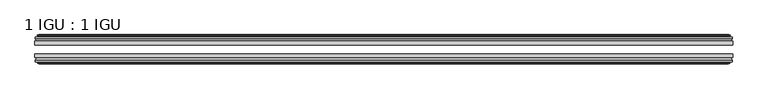
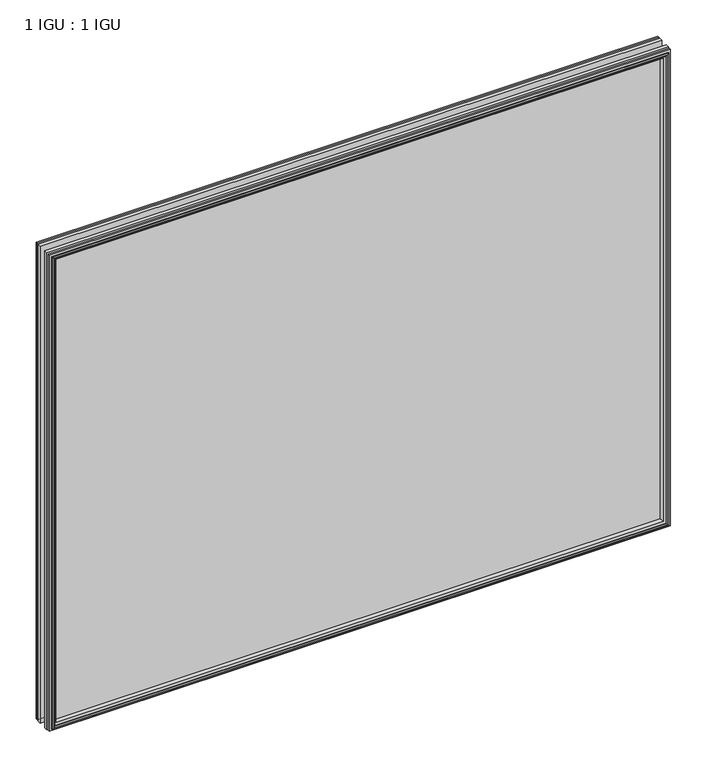
"""IFC4 building model written with IfcOpenShell, lengths in millimetres: plate geometry, 1 IGU : 1 IGU."""

from ifc_helpers import new_model, si_unit, frame, origin, place, context, project, spatial, polyline, outline, extrude, faceted_brep, source, transform, mapped, element, save


def plate_1_igu_1_igu_fef44ff2(model_context):
    return source(origin(), model_context, "Body", "SolidModel", [
        extrude(outline(polyline([(532.5539884, -25.8960937), (532.5539884, -32.2460938), (-532.5539884, -32.2460938), (-532.5539884, -25.8960937), (532.5539884, -25.8960937)])), frame((0.0, 0.0, -12.7), z_axis=(0.0, 0.0, 1.0), x_axis=(1.0, 0.0, 0.0)), (0.0, 0.0, 1.0), 863.6),
        extrude(outline(polyline([(-532.5539884, -51.2960938), (-532.5539884, -45.2686737), (532.5539884, -45.2686737), (532.5539884, -51.2960938), (-532.5539884, -51.2960938)])), frame((0.0, 0.0, -12.7), z_axis=(0.0, 0.0, 1.0), x_axis=(1.0, 0.0, 0.0)), (0.0, 0.0, 1.0), 863.6),
        faceted_brep([(-526.9659884, -60.0262907, 845.312), (-527.3469884, -57.6460937, 845.693), (-527.3469884, -57.6460937, -7.493), (-526.9659884, -60.0262907, -7.112), (-528.3815174, -59.5663575, 846.7275291), (-528.3815174, -59.5663575, -8.5275291), (-528.3815174, -60.3675717, 846.7275291), (-528.3815174, -60.3675717, -8.5275291), (-526.2039884, -61.0750937, 844.55), (-526.2039884, -61.0750937, -6.35), (-524.0264593, -60.3675717, 842.3724709), (-524.0264593, -60.3675717, -4.1724709), (-524.0264593, -59.5663575, 842.3724709), (-524.0264593, -59.5663575, -4.1724709), (-525.4419884, -60.0262907, 843.788), (-525.4419884, -60.0262907, -5.588), (-525.0609884, -57.6460937, 843.407), (-525.0609884, -57.6460937, -5.207), (-518.1362703, -51.2960937, 836.4822819), (-519.8539884, -57.6460937, 838.2), (-519.8539884, -57.6460937, 0.0), (-518.1362703, -51.2960937, 1.7177181), (-531.7919884, -54.6996937, 850.138), (-528.9576462, -51.2960937, 847.3036578), (-528.9576462, -51.2960937, -9.1036578), (-531.7919884, -54.6996937, -11.938), (-531.7919884, -57.6460937, 850.138), (-531.7919884, -57.6460937, -11.938), (527.3469884, -57.6460938, -7.493), (526.9659884, -60.0262907, -7.112), (528.3815174, -59.5663575, -8.5275291), (528.3815174, -60.3675717, -8.5275291), (526.2039884, -61.0750937, -6.35), (524.0264593, -60.3675717, -4.1724709), (524.0264593, -59.5663575, -4.1724709), (525.4419884, -60.0262907, -5.588), (525.0609884, -57.6460937, -5.207), (519.8539884, -57.6460937, 0.0), (518.1362703, -51.2960937, 1.7177181), (528.9576462, -51.2960937, -9.1036578), (531.7919884, -54.6996937, -11.938), (531.7919884, -57.6460938, -11.938), (527.3469884, -57.6460938, 845.693), (526.9659884, -60.0262907, 845.312), (528.3815174, -59.5663575, 846.7275291), (528.3815174, -60.3675717, 846.7275291), (526.2039884, -61.0750937, 844.55), (524.0264593, -60.3675717, 842.3724709), (524.0264593, -59.5663575, 842.3724709), (525.4419884, -60.0262907, 843.788), (525.0609884, -57.6460937, 843.407), (519.8539884, -57.6460937, 838.2), (518.1362703, -51.2960937, 836.4822819), (528.9576462, -51.2960937, 847.3036578), (531.7919884, -54.6996937, 850.138), (531.7919884, -57.6460938, 850.138)], [[[0, 1, 2, 3]], [[4, 0, 3, 5]], [[6, 4, 5, 7]], [[8, 6, 7, 9]], [[10, 8, 9, 11]], [[12, 10, 11, 13]], [[14, 12, 13, 15]], [[16, 14, 15, 17]], [[18, 19, 20, 21]], [[22, 23, 24, 25]], [[26, 22, 25, 27]], [[3, 2, 28, 29]], [[5, 3, 29, 30]], [[7, 5, 30, 31]], [[9, 7, 31, 32]], [[11, 9, 32, 33]], [[13, 11, 33, 34]], [[15, 13, 34, 35]], [[17, 15, 35, 36]], [[21, 20, 37, 38]], [[25, 24, 39, 40]], [[27, 25, 40, 41]], [[29, 28, 42, 43]], [[30, 29, 43, 44]], [[31, 30, 44, 45]], [[32, 31, 45, 46]], [[33, 32, 46, 47]], [[34, 33, 47, 48]], [[35, 34, 48, 49]], [[36, 35, 49, 50]], [[38, 37, 51, 52]], [[40, 39, 53, 54]], [[41, 40, 54, 55]], [[27, 41, 55, 26], [1, 42, 28, 2]], [[43, 42, 1, 0]], [[44, 43, 0, 4]], [[45, 44, 4, 6]], [[46, 45, 6, 8]], [[47, 46, 8, 10]], [[48, 47, 10, 12]], [[49, 48, 12, 14]], [[50, 49, 14, 16]], [[17, 36, 50, 16], [19, 51, 37, 20]], [[52, 51, 19, 18]], [[23, 53, 39, 24], [21, 38, 52, 18]], [[54, 53, 23, 22]], [[55, 54, 22, 26]]]),
        faceted_brep([(-529.4783462, -25.8960937, 847.8243578), (-532.3126884, -22.4924937, 850.6587), (-532.3126884, -22.4924937, -12.4587), (-529.4783462, -25.8960937, -9.6243578), (-520.3746884, -19.5460937, 838.7207), (-518.6569703, -25.8960937, 837.0029819), (-518.6569703, -25.8960937, 1.1970181), (-520.3746884, -19.5460937, -0.5207), (-525.9626884, -17.1658968, 844.3087), (-525.5816884, -19.5460937, 843.9277), (-525.5816884, -19.5460937, -5.7277), (-525.9626884, -17.1658968, -6.1087), (-524.5471593, -17.62583, 842.8931709), (-524.5471593, -17.62583, -4.6931709), (-524.5471593, -16.8246158, 842.8931709), (-524.5471593, -16.8246158, -4.6931709), (-526.7246884, -16.1170937, 845.0707), (-526.7246884, -16.1170937, -6.8707), (-528.9022174, -16.8246158, 847.2482291), (-528.9022174, -16.8246158, -9.0482291), (-528.9022174, -17.62583, 847.2482291), (-528.9022174, -17.62583, -9.0482291), (-527.4866884, -17.1658968, 845.8327), (-527.4866884, -17.1658968, -7.6327), (-527.8676884, -19.5460937, 846.2137), (-527.8676884, -19.5460937, -8.0137), (-532.3126884, -19.5460937, 850.6587), (-532.3126884, -19.5460937, -12.4587), (532.3126884, -22.4924937, -12.4587), (529.4783462, -25.8960937, -9.6243578), (518.6569703, -25.8960937, 1.1970181), (520.3746884, -19.5460937, -0.5207), (525.5816884, -19.5460937, -5.7277), (525.9626884, -17.1658968, -6.1087), (524.5471593, -17.62583, -4.6931709), (524.5471593, -16.8246158, -4.6931709), (526.7246884, -16.1170937, -6.8707), (528.9022174, -16.8246158, -9.0482291), (528.9022174, -17.62583, -9.0482291), (527.4866884, -17.1658968, -7.6327), (527.8676884, -19.5460937, -8.0137), (532.3126884, -19.5460937, -12.4587), (532.3126884, -22.4924937, 850.6587), (529.4783462, -25.8960937, 847.8243578), (518.6569703, -25.8960937, 837.0029819), (520.3746884, -19.5460937, 838.7207), (525.5816884, -19.5460937, 843.9277), (525.9626884, -17.1658968, 844.3087), (524.5471593, -17.62583, 842.8931709), (524.5471593, -16.8246158, 842.8931709), (526.7246884, -16.1170937, 845.0707), (528.9022174, -16.8246158, 847.2482291), (528.9022174, -17.62583, 847.2482291), (527.4866884, -17.1658968, 845.8327), (527.8676884, -19.5460937, 846.2137), (532.3126884, -19.5460937, 850.6587)], [[[0, 1, 2, 3]], [[4, 5, 6, 7]], [[8, 9, 10, 11]], [[12, 8, 11, 13]], [[14, 12, 13, 15]], [[16, 14, 15, 17]], [[18, 16, 17, 19]], [[20, 18, 19, 21]], [[22, 20, 21, 23]], [[24, 22, 23, 25]], [[1, 26, 27, 2]], [[3, 2, 28, 29]], [[7, 6, 30, 31]], [[11, 10, 32, 33]], [[13, 11, 33, 34]], [[15, 13, 34, 35]], [[17, 15, 35, 36]], [[19, 17, 36, 37]], [[21, 19, 37, 38]], [[23, 21, 38, 39]], [[25, 23, 39, 40]], [[2, 27, 41, 28]], [[29, 28, 42, 43]], [[31, 30, 44, 45]], [[33, 32, 46, 47]], [[34, 33, 47, 48]], [[35, 34, 48, 49]], [[36, 35, 49, 50]], [[37, 36, 50, 51]], [[38, 37, 51, 52]], [[39, 38, 52, 53]], [[40, 39, 53, 54]], [[28, 41, 55, 42]], [[43, 42, 1, 0]], [[3, 29, 43, 0], [5, 44, 30, 6]], [[45, 44, 5, 4]], [[9, 46, 32, 10], [7, 31, 45, 4]], [[47, 46, 9, 8]], [[48, 47, 8, 12]], [[49, 48, 12, 14]], [[50, 49, 14, 16]], [[51, 50, 16, 18]], [[52, 51, 18, 20]], [[53, 52, 20, 22]], [[54, 53, 22, 24]], [[26, 55, 41, 27], [25, 40, 54, 24]], [[42, 55, 26, 1]]]),
    ])


if __name__ == "__main__":
    model = new_model("IFC4")
    model_context = context("Model", 3, world=origin())
    ifc_project = project(units=[si_unit("LENGTHUNIT", "METRE", prefix="MILLI")], contexts=[model_context])
    site = spatial("IfcSite", under=ifc_project)
    building = spatial("IfcBuilding", under=site)
    placement = place(None, origin())
    plate_1_igu_1_igu_shape = plate_1_igu_1_igu_fef44ff2(model_context)
    element("IfcPlate", 1, ObjectType="1 IGU : 1 IGU", at=placement, inside=building, context=model_context, shape_type="MappedRepresentation", body=[
        mapped(plate_1_igu_1_igu_shape, transform((0.0, 0.0, 0.0), x_axis=(1.0, 0.0, 0.0), y_axis=(0.0, 1.0, 0.0), z_axis=(0.0, 0.0, 1.0))),
    ])
    save(model, "model.ifc")
